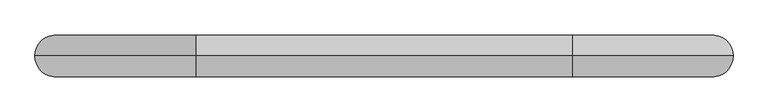
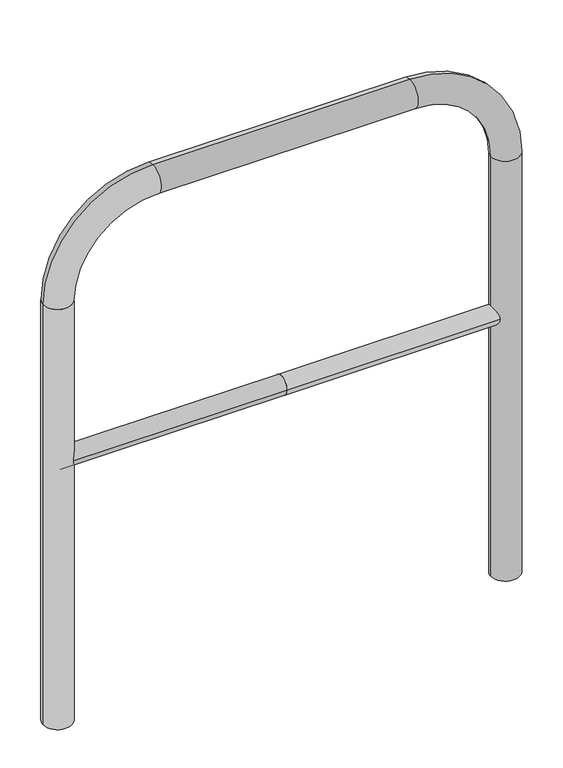
"""IFC4 building model written with IfcOpenShell, lengths in millimetres: proxy geometry."""

from ifc_helpers import new_model, si_unit, point, frame, frame_2d, origin, place, context, project, spatial, circle_curve, ellipse_curve, trimmed, segment, composite_curve, outline, extrude, source, transform, mapped, element, save
from ifc_brep_helpers import plane_surface, cylinder_surface, revolved_surface, advanced_brep


def generic_models_f7843550(model_context):
    return source(origin(), model_context, "Body", "SolidModel", [
        extrude(outline(composite_curve([segment(trimmed(circle_curve(frame_2d((0.0, 498.4778375)), 20.0), [point((-20.0, 498.4778375))], [point((20.0, 498.4778375))], False, "CARTESIAN"), True, "CONTINUOUS"), segment(trimmed(circle_curve(frame_2d((0.0, 498.4778375)), 20.0), [point((20.0, 498.4778375))], [point((-20.0, 498.4778375))], False, "CARTESIAN"), True, "CONTINUOUS")], self_intersect=False)), frame((-469.3275668, 0.0, 0.0), z_axis=(1.0, 0.0, 0.0), x_axis=(0.0, 1.0, 0.0)), (0.0, 0.0, 1.0), 469.3275668),
        extrude(outline(composite_curve([segment(trimmed(circle_curve(frame_2d((0.0, 498.4778375)), 20.0), [point((-20.0, 498.4778375))], [point((20.0, 498.4778375))], False, "CARTESIAN"), True, "CONTINUOUS"), segment(trimmed(circle_curve(frame_2d((0.0, 498.4778375)), 20.0), [point((20.0, 498.4778375))], [point((-20.0, 498.4778375))], False, "CARTESIAN"), True, "CONTINUOUS")], self_intersect=False)), frame((0.0, 0.0, 0.0), z_axis=(1.0, 0.0, 0.0), x_axis=(0.0, 1.0, 0.0)), (0.0, 0.0, 1.0), 469.3275668),
        advanced_brep(
        [(-439.3275668, 0.0, -80.0), (-499.3275668, 0.0, -80.0), (-439.3275668, 0.0, 850.0), (-499.3275668, 0.0, 850.0), (-269.3275668, 0.0, 1080.0), (-269.3275668, 0.0, 1020.0), (269.3275668, 0.0, 1020.0), (269.3275668, 0.0, 1080.0), (499.3275668, 0.0, 850.0), (439.3275668, 0.0, 850.0), (439.3275668, 0.0, -80.0), (499.3275668, 0.0, -80.0)],
        [
            (0, 1, circle_curve(frame((-469.3275668, 0.0, -80.0), z_axis=(0.0, 0.0, -1.0), x_axis=(-1.0, 0.0, 0.0)), 30.0)),
            (1, 0, circle_curve(frame((-469.3275668, 0.0, -80.0), z_axis=(0.0, 0.0, -1.0), x_axis=(-1.0, 0.0, 0.0)), 30.0)),
            (0, 2),
            (2, 3, circle_curve(frame((-469.3275668, 0.0, 850.0), z_axis=(0.0, 0.0, -1.0), x_axis=(-1.0, 0.0, 0.0)), 30.0)),
            (3, 1),
            (3, 2, circle_curve(frame((-469.3275668, 0.0, 850.0), z_axis=(0.0, 0.0, -1.0), x_axis=(-1.0, 0.0, 0.0)), 30.0)),
            (4, 3, circle_curve(frame((-269.3275668, 0.0, 850.0), z_axis=(0.0, -1.0, 0.0), x_axis=(-1.0, 0.0, 0.0)), 230.0)),
            (2, 5, circle_curve(frame((-269.3275668, 0.0, 850.0), z_axis=(0.0, 1.0, 0.0), x_axis=(-1.0, 0.0, 0.0)), 170.0)),
            (5, 4, circle_curve(frame((-269.3275668, 0.0, 1050.0), z_axis=(-1.0, 0.0, 0.0), x_axis=(0.0, 0.0, 1.0)), 30.0)),
            (4, 5, circle_curve(frame((-269.3275668, 0.0, 1050.0), z_axis=(-1.0, 0.0, 0.0), x_axis=(0.0, 0.0, 1.0)), 30.0)),
            (5, 6),
            (6, 7, circle_curve(frame((269.3275668, 0.0, 1050.0), z_axis=(-1.0, 0.0, 0.0), x_axis=(0.0, 0.0, 1.0)), 30.0)),
            (7, 4),
            (7, 6, circle_curve(frame((269.3275668, 0.0, 1050.0), z_axis=(-1.0, 0.0, 0.0), x_axis=(0.0, 0.0, 1.0)), 30.0)),
            (8, 7, circle_curve(frame((269.3275668, 0.0, 850.0), z_axis=(0.0, -1.0, 0.0), x_axis=(0.0, 0.0, 1.0)), 230.0)),
            (6, 9, circle_curve(frame((269.3275668, 0.0, 850.0), z_axis=(0.0, 1.0, 0.0), x_axis=(0.0, 0.0, 1.0)), 170.0)),
            (9, 8, circle_curve(frame((469.3275668, 0.0, 850.0), z_axis=(0.0, 0.0, 1.0), x_axis=(1.0, 0.0, 0.0)), 30.0)),
            (8, 9, circle_curve(frame((469.3275668, 0.0, 850.0), z_axis=(0.0, 0.0, 1.0), x_axis=(1.0, 0.0, 0.0)), 30.0)),
            (10, 11, circle_curve(frame((469.3275668, 0.0, -80.0), z_axis=(0.0, 0.0, -1.0), x_axis=(1.0, 0.0, 0.0)), 30.0)),
            (11, 10, circle_curve(frame((469.3275668, 0.0, -80.0), z_axis=(0.0, 0.0, -1.0), x_axis=(1.0, 0.0, 0.0)), 30.0)),
            (9, 10),
            (11, 8),
        ],
        [
            plane_surface(frame((-469.3275668, 0.0, -80.0), z_axis=(0.0, 0.0, -1.0), x_axis=(0.0, -1.0, 0.0))),
            cylinder_surface(frame((-469.3275668, 0.0, -80.0), z_axis=(0.0, 0.0, -1.0), x_axis=(-1.0, 0.0, 0.0)), 30.0),
            revolved_surface(trimmed(ellipse_curve(frame((-469.3275668, 0.0, 850.0), z_axis=(0.0, 0.0, -1.0), x_axis=(-1.0, 0.0, 0.0)), 30.0, 30.0), [point((-439.3275668, 0.0, 850.0))], [point((-499.3275668, 0.0, 850.0))], True, "CARTESIAN"), (-269.3275668, 0.0, 850.0), (0.0, 1.0, 0.0)),
            revolved_surface(trimmed(ellipse_curve(frame((-469.3275668, 0.0, 850.0), z_axis=(0.0, 0.0, -1.0), x_axis=(-1.0, 0.0, 0.0)), 30.0, 30.0), [point((-499.3275668, 0.0, 850.0))], [point((-439.3275668, 0.0, 850.0))], True, "CARTESIAN"), (-269.3275668, 0.0, 850.0), (0.0, 1.0, 0.0)),
            cylinder_surface(frame((-269.3275668, 0.0, 1050.0), z_axis=(-1.0, 0.0, 0.0), x_axis=(0.0, 0.0, 1.0)), 30.0),
            revolved_surface(trimmed(ellipse_curve(frame((269.3275668, 0.0, 1050.0), z_axis=(-1.0, 0.0, 0.0), x_axis=(0.0, 0.0, 1.0)), 30.0, 30.0), [point((269.3275668, 0.0, 1020.0))], [point((269.3275668, 0.0, 1080.0))], True, "CARTESIAN"), (269.3275668, 0.0, 850.0), (0.0, 1.0, 0.0)),
            revolved_surface(trimmed(ellipse_curve(frame((269.3275668, 0.0, 1050.0), z_axis=(-1.0, 0.0, 0.0), x_axis=(0.0, 0.0, 1.0)), 30.0, 30.0), [point((269.3275668, 0.0, 1080.0))], [point((269.3275668, 0.0, 1020.0))], True, "CARTESIAN"), (269.3275668, 0.0, 850.0), (0.0, 1.0, 0.0)),
            plane_surface(frame((469.3275668, 0.0, -80.0), z_axis=(0.0, 0.0, -1.0), x_axis=(0.0, -1.0, 0.0))),
            cylinder_surface(frame((469.3275668, 0.0, 850.0), z_axis=(0.0, 0.0, 1.0), x_axis=(1.0, 0.0, 0.0)), 30.0),
        ],
        [
            (0, [[1, 2]]),
            (1, [[-1, 3, 4, 5]]),
            (1, [[-2, -5, 6, -3]]),
            (2, [[7, -4, 8, 9]]),
            (3, [[-8, -6, -7, 10]]),
            (4, [[-9, 11, 12, 13]]),
            (4, [[-10, -13, 14, -11]]),
            (5, [[15, -12, 16, 17]]),
            (6, [[-16, -14, -15, 18]]),
            (7, [[19, 20]]),
            (8, [[-17, 21, -20, 22]]),
            (8, [[-18, -22, -19, -21]]),
        ],
    ),
    ])


if __name__ == "__main__":
    model = new_model("IFC4")
    model_context = context("Model", 3, world=origin())
    ifc_project = project(units=[si_unit("LENGTHUNIT", "METRE", prefix="MILLI")], contexts=[model_context])
    site = spatial("IfcSite", under=ifc_project)
    building = spatial("IfcBuilding", under=site)
    placement = place(None, origin())
    generic_models_shape = generic_models_f7843550(model_context)
    element("IfcBuildingElementProxy", 1, Name="Generic Models", at=placement, inside=building, context=model_context, shape_type="MappedRepresentation", body=[
        mapped(generic_models_shape, transform((0.0, 0.0, 0.0), x_axis=(1.0, 0.0, 0.0), y_axis=(0.0, 1.0, 0.0), z_axis=(0.0, 0.0, 1.0))),
    ])
    save(model, "model.ifc")
